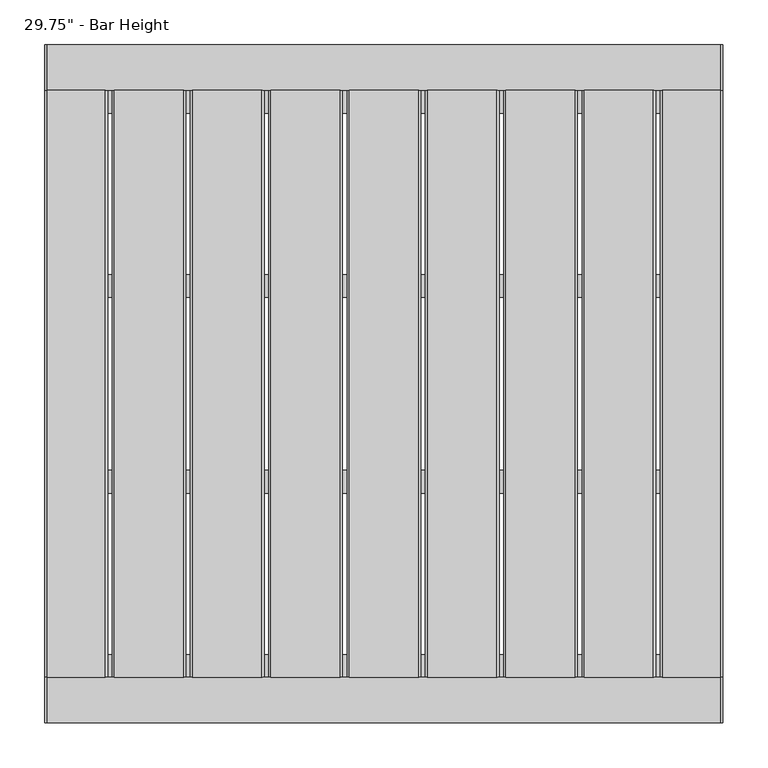
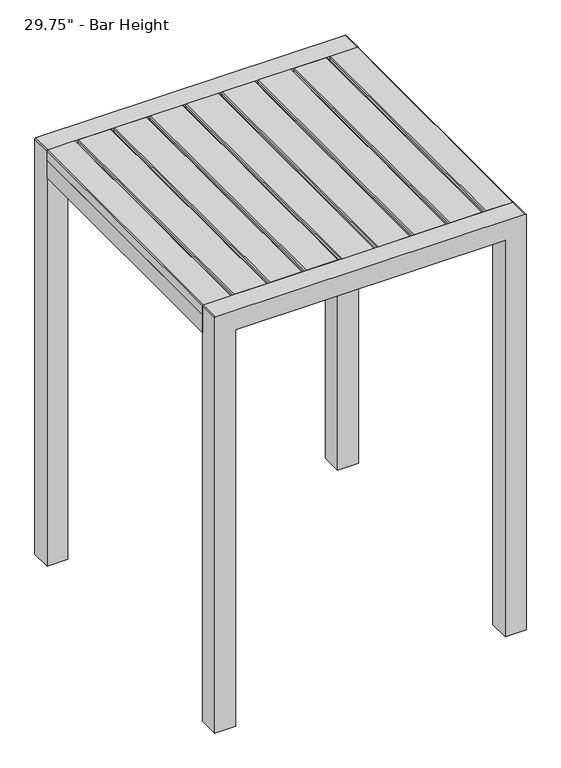
"""IFC4 building model written with IfcOpenShell, lengths in millimetres: furniture geometry."""

from ifc_helpers import new_model, si_unit, point, frame, frame_2d, origin, place, context, project, spatial, polyline, circle_curve, trimmed, segment, composite_curve, outline, extrude, source, transform, mapped, element, save


def furniture_786381f9(model_context):
    return source(origin(), model_context, "Body", "SweptSolid", [
        extrude(outline(polyline([(1041.4, 215.6354167), (1064.2767182, 215.6354167), (1066.8, 213.1121665), (1066.8, 136.0055418), (1064.2767182, 133.4822917), (1041.4, 133.4822917), (1041.4, 215.6354167)])), frame((0.0, -331.0549408, 0.0), z_axis=(0.0, 1.0, 0.0), x_axis=(0.0, 0.0, 1.0)), (0.0, 0.0, 1.0), 654.05),
        extrude(outline(polyline([(1041.4, 128.3559896), (1064.2767182, 128.3559896), (1066.8, 125.8327394), (1066.8, 48.7261148), (1064.2767182, 46.2028646), (1041.4, 46.2028646), (1041.4, 128.3559896)])), frame((0.0, -331.0549408, 0.0), z_axis=(0.0, 1.0, 0.0), x_axis=(0.0, 0.0, 1.0)), (0.0, 0.0, 1.0), 654.05),
        extrude(outline(polyline([(1041.4, 41.0765625), (1064.2767182, 41.0765625), (1066.8, 38.5533123), (1066.8, -38.5533123), (1064.2767182, -41.0765625), (1041.4, -41.0765625), (1041.4, 41.0765625)])), frame((0.0, -331.0549408, 0.0), z_axis=(0.0, 1.0, 0.0), x_axis=(0.0, 0.0, 1.0)), (0.0, 0.0, 1.0), 654.05),
        extrude(outline(polyline([(1041.4, -46.2028646), (1064.2767182, -46.2028646), (1066.8, -48.7261148), (1066.8, -125.8327394), (1064.2767182, -128.3559896), (1041.4, -128.3559896), (1041.4, -46.2028646)])), frame((0.0, -331.0549408, 0.0), z_axis=(0.0, 1.0, 0.0), x_axis=(0.0, 0.0, 1.0)), (0.0, 0.0, 1.0), 654.05),
        extrude(outline(polyline([(1041.4, -133.4822917), (1064.2767182, -133.4822917), (1066.8, -136.0055418), (1066.8, -213.1121665), (1064.2767182, -215.6354167), (1041.4, -215.6354167), (1041.4, -133.4822917)])), frame((0.0, -331.0549408, 0.0), z_axis=(0.0, 1.0, 0.0), x_axis=(0.0, 0.0, 1.0)), (0.0, 0.0, 1.0), 654.05),
        extrude(outline(polyline([(1041.4, 302.9148438), (1064.2767182, 302.9148438), (1066.8, 300.3915936), (1066.8, 223.2849689), (1064.2767182, 220.7617188), (1041.4, 220.7617188), (1041.4, 302.9148438)])), frame((0.0, -331.0549408, 0.0), z_axis=(0.0, 1.0, 0.0), x_axis=(0.0, 0.0, 1.0)), (0.0, 0.0, 1.0), 654.05),
        extrude(outline(polyline([(1041.4, -220.7617187), (1064.2767182, -220.7617187), (1066.8, -223.2849689), (1066.8, -300.3915936), (1064.2767182, -302.9148437), (1041.4, -302.9148437), (1041.4, -220.7617187)])), frame((0.0, -331.0549408, 0.0), z_axis=(0.0, 1.0, 0.0), x_axis=(0.0, 0.0, 1.0)), (0.0, 0.0, 1.0), 654.05),
        extrude(outline(polyline([(1041.4, -377.825), (1041.4, -307.9749879), (1064.2596996, -307.9749879), (1066.8, -310.5152519), (1066.8, -375.2847481), (1064.2597117, -377.825), (1041.4, -377.825)])), frame((0.0, -331.0549408, 0.0), z_axis=(0.0, 1.0, 0.0), x_axis=(0.0, 0.0, 1.0)), (0.0, 0.0, 1.0), 654.05),
        extrude(outline(polyline([(1041.4, 377.825), (1064.2597117, 377.825), (1066.8, 375.2847481), (1066.8, 310.5152519), (1064.2596996, 307.9749879), (1041.4, 307.9749879), (1041.4, 377.825)])), frame((0.0, -331.0549408, 0.0), z_axis=(0.0, 1.0, 0.0), x_axis=(0.0, 0.0, 1.0)), (0.0, 0.0, 1.0), 654.05),
        extrude(outline(polyline([(327.0249879, -100.3382701), (327.0249879, -125.7382731), (-327.0249879, -125.7382731), (-327.0249879, -100.3382701), (327.0249879, -100.3382701)])), frame((0.0, 0.0, 1016.0), z_axis=(0.0, 0.0, 1.0), x_axis=(1.0, 0.0, 0.0)), (0.0, 0.0, 1.0), 25.4),
        extrude(outline(polyline([(327.0249879, -305.6549347), (327.0249879, -331.0549408), (-327.0249879, -331.0549408), (-327.0249879, -305.6549347), (327.0249879, -305.6549347)])), frame((0.0, 0.0, 1016.0), z_axis=(0.0, 0.0, 1.0), x_axis=(1.0, 0.0, 0.0)), (0.0, 0.0, 1.0), 25.4),
        extrude(outline(polyline([(327.0249879, 322.9950592), (327.0249879, 297.5950532), (-327.0249879, 297.5950532), (-327.0249879, 322.9950592), (327.0249879, 322.9950592)])), frame((0.0, 0.0, 1016.0), z_axis=(0.0, 0.0, 1.0), x_axis=(1.0, 0.0, 0.0)), (0.0, 0.0, 1.0), 25.4),
        extrude(outline(polyline([(327.0249879, 117.6783915), (327.0249879, 92.2783885), (-327.0249879, 92.2783885), (-327.0249879, 117.6783915), (327.0249879, 117.6783915)])), frame((0.0, 0.0, 1016.0), z_axis=(0.0, 0.0, 1.0), x_axis=(1.0, 0.0, 0.0)), (0.0, 0.0, 1.0), 25.4),
        extrude(outline(polyline([(-327.0249879, -331.0549408), (-377.825, -331.0549408), (-377.825, 322.9950592), (-327.0249879, 322.9950592), (-327.0249879, -331.0549408)])), frame((0.0, 0.0, 995.934001), z_axis=(0.0, 0.0, 1.0), x_axis=(1.0, 0.0, 0.0)), (0.0, 0.0, 1.0), 45.465999),
        extrude(outline(polyline([(377.825, -331.0549408), (327.0249879, -331.0549408), (327.0249879, 322.9950592), (377.825, 322.9950592), (377.825, -331.0549408)])), frame((0.0, 0.0, 995.934001), z_axis=(0.0, 0.0, 1.0), x_axis=(1.0, 0.0, 0.0)), (0.0, 0.0, 1.0), 45.465999),
        extrude(outline(composite_curve([segment(polyline([(0.0, -327.0249879), (1016.0, -327.0249879), (1016.0, 327.0249879), (0.0, 327.0249879), (0.0, 377.825), (1064.2203125, 377.825)]), True, "CONTINUOUS"), segment(trimmed(circle_curve(frame_2d((1064.2203125, 375.2453125)), 2.5796875), [point((1064.2203125, 377.825))], [point((1066.8, 375.2453125))], False, "CARTESIAN"), True, "CONTINUOUS"), segment(polyline([(1066.8, 375.2453125), (1066.8, -375.2453125)]), True, "CONTINUOUS"), segment(trimmed(circle_curve(frame_2d((1064.2203125, -375.2453125)), 2.5796875), [point((1066.8, -375.2453125))], [point((1064.2203125, -377.825))], False, "CARTESIAN"), True, "CONTINUOUS"), segment(polyline([(1064.2203125, -377.825), (0.0, -377.825), (0.0, -327.0249879)]), True, "CONTINUOUS")], self_intersect=False)), frame((0.0, 322.9950592, 0.0), z_axis=(0.0, 1.0, 0.0), x_axis=(0.0, 0.0, 1.0)), (0.0, 0.0, 1.0), 50.8),
        extrude(outline(composite_curve([segment(polyline([(0.0, -327.0249879), (1016.0, -327.0249879), (1016.0, 327.0249879), (0.0, 327.0249879), (0.0, 377.825), (1064.2203125, 377.825)]), True, "CONTINUOUS"), segment(trimmed(circle_curve(frame_2d((1064.2203125, 375.2453125)), 2.5796875), [point((1064.2203125, 377.825))], [point((1066.8, 375.2453125))], False, "CARTESIAN"), True, "CONTINUOUS"), segment(polyline([(1066.8, 375.2453125), (1066.8, -375.2453125)]), True, "CONTINUOUS"), segment(trimmed(circle_curve(frame_2d((1064.2203125, -375.2453125)), 2.5796875), [point((1066.8, -375.2453125))], [point((1064.2203125, -377.825))], False, "CARTESIAN"), True, "CONTINUOUS"), segment(polyline([(1064.2203125, -377.825), (0.0, -377.825), (0.0, -327.0249879)]), True, "CONTINUOUS")], self_intersect=False)), frame((0.0, -381.8549408, 0.0), z_axis=(0.0, 1.0, 0.0), x_axis=(0.0, 0.0, 1.0)), (0.0, 0.0, 1.0), 50.8),
    ])


if __name__ == "__main__":
    model = new_model("IFC4")
    model_context = context("Model", 3, world=origin())
    ifc_project = project(units=[si_unit("LENGTHUNIT", "METRE", prefix="MILLI")], contexts=[model_context])
    site = spatial("IfcSite", under=ifc_project)
    building = spatial("IfcBuilding", under=site)
    placement = place(None, origin())
    furniture_shape = furniture_786381f9(model_context)
    element("IfcFurniture", 1, ObjectType="29.75\" - Bar Height", at=placement, inside=building, context=model_context, shape_type="MappedRepresentation", body=[
        mapped(furniture_shape, transform((0.0, 0.0, 0.0), x_axis=(1.0, 0.0, 0.0), y_axis=(0.0, 1.0, 0.0), z_axis=(0.0, 0.0, 1.0))),
    ])
    save(model, "model.ifc")
